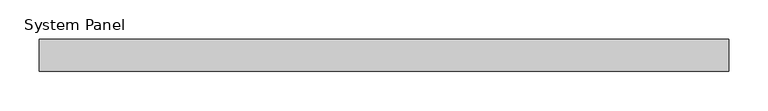
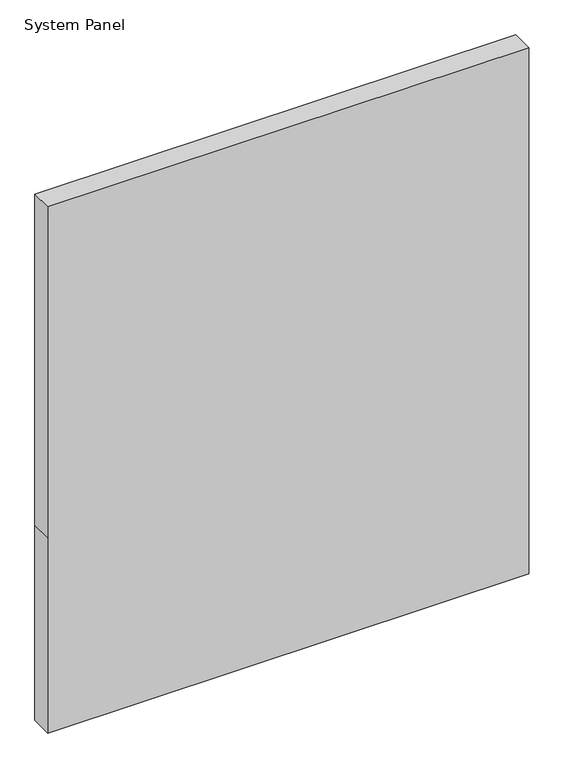
"""IFC4 building model written with IfcOpenShell, lengths in millimetres: plate geometry, System Panel."""

import ifcopenshell
import ifcopenshell.guid

model = None  # the IFC model being written
_history = None  # IfcOwnerHistory: only IFC2X3 demands one
_inside = {}  # id of a spatial element -> (the spatial element, [elements in it])
_under = {}  # id of a project, library or spatial element -> (it, [spatial elements below it])
_declared = {}  # id of a project -> (the project, [libraries it declares])
_typed = {}  # id of a type object -> (the type object, [elements of that type])
_made_of = {}  # id of a material, layer set ... -> (it, [elements and type objects made of it])


def new_model(schema):
    """Start an empty IFC model of exactly this schema.

    Asked for "IFC4X3", IfcOpenShell would pick the latest addendum, in which some entities
    have other attributes; the version numbers below select the first issue.
    IFC2X3 requires an IfcOwnerHistory on every rooted entity: one is made here for all.
    """
    global model, _history
    if schema == "IFC4X3":
        model = ifcopenshell.file(schema_version=(4, 3, 0, 0))
    else:
        model = ifcopenshell.file(schema=schema)
    _inside.clear()
    _under.clear()
    _declared.clear()
    _typed.clear()
    _made_of.clear()
    _history = None
    if model.schema == "IFC2X3":
        org = make("IfcOrganization", Name="unknown")
        user = make(
            "IfcPersonAndOrganization",
            ThePerson=make("IfcPerson", FamilyName="unknown"),
            TheOrganization=org,
        )
        app = make(
            "IfcApplication",
            ApplicationDeveloper=org,
            Version="unknown",
            ApplicationFullName="unknown",
            ApplicationIdentifier="unknown",
        )
        _history = make(
            "IfcOwnerHistory",
            OwningUser=user,
            OwningApplication=app,
            ChangeAction="ADDED",
            CreationDate=0,
        )
    return model


def make(cls, **values):
    """One entity of the class cls with the attributes given. An attribute that is None is left unset."""
    return model.create_entity(
        cls, **{name: value for name, value in values.items() if value is not None}
    )


def rooted(cls, **values):
    """An entity with a GlobalId (a new one), such as an element, a storey or a relation."""
    return make(cls, GlobalId=ifcopenshell.guid.new(), OwnerHistory=_history, **values)


def si_unit(unit_type, name, prefix=None):
    """IfcSIUnit, for example si_unit("LENGTHUNIT", "METRE", prefix="MILLI")."""
    return make("IfcSIUnit", UnitType=unit_type, Prefix=prefix, Name=name)


def assignment(units):
    """IfcUnitAssignment: the units of a project."""
    return None if units is None else make("IfcUnitAssignment", Units=units)


def point(xyz):
    """IfcCartesianPoint."""
    return None if xyz is None else make("IfcCartesianPoint", Coordinates=xyz)


def direction(xyz):
    """IfcDirection."""
    return None if xyz is None else make("IfcDirection", DirectionRatios=xyz)


def frame(location, z_axis=None, x_axis=None):
    """IfcAxis2Placement3D, a coordinate frame: its origin and axes. An axis left out is left unset."""
    return make(
        "IfcAxis2Placement3D",
        Location=point(location),
        Axis=direction(z_axis),
        RefDirection=direction(x_axis),
    )


def origin():
    """The frame at (0, 0, 0) with its axes left unset."""
    return frame((0.0, 0.0, 0.0))


def place(relative_to, where):
    """IfcLocalPlacement: puts the frame where relative to a parent placement (None: the world)."""
    return make(
        "IfcLocalPlacement", PlacementRelTo=relative_to, RelativePlacement=where
    )


def context(
    kind, dimensions, precision=None, world=None, true_north=None, identifier=None
):
    """IfcGeometricRepresentationContext, for example the 3D "Model" context."""
    return make(
        "IfcGeometricRepresentationContext",
        ContextIdentifier=identifier,
        ContextType=kind,
        CoordinateSpaceDimension=dimensions,
        Precision=precision,
        WorldCoordinateSystem=world,
        TrueNorth=true_north,
    )


def project(units=None, contexts=None):
    """IfcProject with its units and contexts."""
    return rooted(
        "IfcProject",
        Name="project",
        RepresentationContexts=contexts,
        UnitsInContext=assignment(units),
    )


def spatial(cls, under=None, at=None, **own):
    """A site, building, storey or space (cls), placed at a placement, below another one or the project."""
    s = rooted(cls, ObjectPlacement=at, **own)
    if under is not None:
        _under.setdefault(under.id(), (under, []))[1].append(s)
    return s


def polyline(points):
    """IfcPolyline through the points."""
    return make("IfcPolyline", Points=[point(p) for p in points])


def outline(outer, holes=None, kind="AREA"):
    """IfcArbitraryClosedProfileDef: a profile drawn as a closed curve; with holes, ...WithVoids."""
    if holes is None:
        return make("IfcArbitraryClosedProfileDef", ProfileType=kind, OuterCurve=outer)
    return make(
        "IfcArbitraryProfileDefWithVoids",
        ProfileType=kind,
        OuterCurve=outer,
        InnerCurves=holes,
    )


def extrude(swept, where, along, depth):
    """IfcExtrudedAreaSolid: the profile swept, set in the frame where, extruded along a direction by depth."""
    return make(
        "IfcExtrudedAreaSolid",
        SweptArea=swept,
        Position=where,
        ExtrudedDirection=direction(along),
        Depth=depth,
    )


def shape(context_of_items, identifier, shape_type, items):
    """IfcShapeRepresentation: the items that make up one representation, for example the "Body"."""
    return make(
        "IfcShapeRepresentation",
        ContextOfItems=context_of_items,
        RepresentationIdentifier=identifier,
        RepresentationType=shape_type,
        Items=items,
    )


def source(mapping_origin, context_of_items, identifier, shape_type, items):
    """IfcRepresentationMap: a shape defined once, which mapped items show again and again."""
    return make(
        "IfcRepresentationMap",
        MappingOrigin=mapping_origin,
        MappedRepresentation=shape(context_of_items, identifier, shape_type, items),
    )


def transform(
    local_origin,
    x_axis=None,
    y_axis=None,
    z_axis=None,
    scale=None,
    scale2=None,
    scale3=None,
    uniform=True,
):
    """IfcCartesianTransformationOperator3D, or its non-uniform kind. x_axis, y_axis, z_axis: its Axis1, 2, 3."""
    if uniform:
        return make(
            "IfcCartesianTransformationOperator3D",
            Axis1=direction(x_axis),
            Axis2=direction(y_axis),
            LocalOrigin=point(local_origin),
            Scale=scale,
            Axis3=direction(z_axis),
        )
    return make(
        "IfcCartesianTransformationOperator3DnonUniform",
        Axis1=direction(x_axis),
        Axis2=direction(y_axis),
        LocalOrigin=point(local_origin),
        Scale=scale,
        Axis3=direction(z_axis),
        Scale2=scale2,
        Scale3=scale3,
    )


def mapped(mapping_source, mapping_target):
    """IfcMappedItem: shows the shape of a source again, moved by a transform."""
    return make(
        "IfcMappedItem", MappingSource=mapping_source, MappingTarget=mapping_target
    )


def made_of(thing, what):
    """Note that an element or type object is made of a material, layer set ...; save() writes the relation."""
    if what is not None:
        _made_of.setdefault(what.id(), (what, []))[1].append(thing)
    return thing


def element(
    cls,
    number,
    at=None,
    inside=None,
    cuts=None,
    type_object=None,
    material=None,
    context=None,
    identifier="Body",
    shape_type=None,
    held_by="IfcProductDefinitionShape",
    body=None,
    shapes=None,
    **own,
):
    """One element of the class cls, such as IfcWall. Its Tag is "e" and its number.

    at: its placement. inside: the storey or other place that contains it. cuts: it is an
    opening in that element (IfcRelVoidsElement). A single representation is given by context,
    identifier, shape_type and body (its items); several are given by shapes. held_by: the class
    of the entity that holds the representations. save() writes the other relations.
    """
    e = rooted(cls, Tag="e%d" % number, ObjectPlacement=at, **own)
    if body is not None:
        shapes = [shape(context, identifier, shape_type, body)]
    if shapes is not None:
        e.Representation = make(held_by, Representations=shapes)
    if inside is not None:
        _inside.setdefault(inside.id(), (inside, []))[1].append(e)
    if cuts is not None:
        rooted(
            "IfcRelVoidsElement", RelatingBuildingElement=cuts, RelatedOpeningElement=e
        )
    if type_object is not None:
        _typed.setdefault(type_object.id(), (type_object, []))[1].append(e)
    return made_of(e, material)


def aggregate(whole, parts):
    """IfcRelAggregates: a whole, such as a stair, and the parts it consists of."""
    return rooted("IfcRelAggregates", RelatingObject=whole, RelatedObjects=parts)


def save(model, path):
    """Write the relations noted so far, then the file.

    IfcRelAggregates (storeys below a building ...), IfcRelContainedInSpatialStructure (elements
    in a storey), IfcRelDefinesByType, IfcRelAssociatesMaterial and IfcRelDeclares: one each for
    every whole, place, type object, material and project.
    """
    for whole, parts in _under.values():
        aggregate(whole, parts)
    for where, things in _inside.values():
        rooted(
            "IfcRelContainedInSpatialStructure",
            RelatedElements=things,
            RelatingStructure=where,
        )
    for kind, things in _typed.values():
        rooted("IfcRelDefinesByType", RelatedObjects=things, RelatingType=kind)
    for what, things in _made_of.values():
        rooted("IfcRelAssociatesMaterial", RelatedObjects=things, RelatingMaterial=what)
    for by, libraries in _declared.values():
        rooted("IfcRelDeclares", RelatingContext=by, RelatedDefinitions=libraries)
    model.write(path)


def system_panel_f984836b(model_context):
    return source(origin(), model_context, "Body", "SweptSolid", [
        extrude(outline(polyline([(0.0, -436.6666667), (0.0, 436.6666667), (375.0, 436.6666667), (1010.0, 436.6666667), (1010.0, -436.6666667), (375.0, -436.6666667), (0.0, -436.6666667)])), frame((0.0, 14.0, 0.0), z_axis=(0.0, 1.0, 0.0), x_axis=(0.0, 0.0, 1.0)), (0.0, 0.0, 1.0), 40.0),
    ])


if __name__ == "__main__":
    model = new_model("IFC4")
    model_context = context("Model", 3, world=origin())
    ifc_project = project(units=[si_unit("LENGTHUNIT", "METRE", prefix="MILLI")], contexts=[model_context])
    site = spatial("IfcSite", under=ifc_project)
    building = spatial("IfcBuilding", under=site)
    placement = place(None, origin())
    system_panel_shape = system_panel_f984836b(model_context)
    element("IfcPlate", 1, ObjectType="System Panel", at=placement, inside=building, context=model_context, shape_type="MappedRepresentation", body=[
        mapped(system_panel_shape, transform((0.0, 0.0, 0.0), x_axis=(1.0, 0.0, 0.0), y_axis=(0.0, 1.0, 0.0), z_axis=(0.0, 0.0, 1.0))),
    ])
    save(model, "model.ifc")
